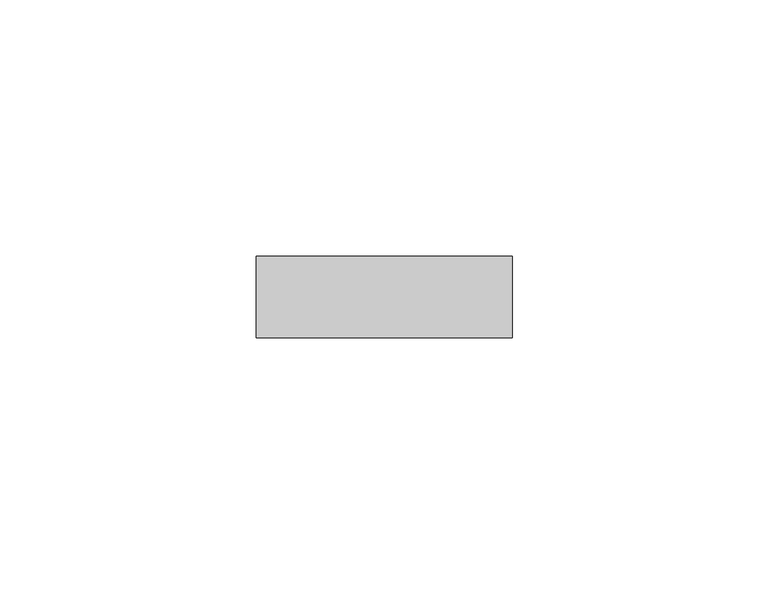
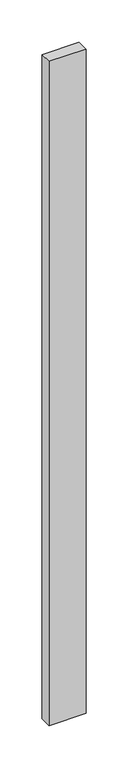
"""IFC4 building model written with IfcOpenShell, lengths in millimetres: proxy geometry."""

from ifc_helpers import new_model, si_unit, frame, origin, place, context, project, spatial, polyline, outline, extrude, source, transform, mapped, element, save


def generic_models_c1a66f58(model_context):
    return source(origin(), model_context, "Body", "SweptSolid", [
        extrude(outline(polyline([(55.5018515, -62.4360182), (5.5018515, -62.4360182), (5.5018515, -46.4360182), (55.5018515, -46.4360182), (55.5018515, -62.4360182)])), frame((0.0, 0.0, 1772.4900727), z_axis=(0.0, 0.0, 1.0), x_axis=(1.0, 0.0, 0.0)), (0.0, 0.0, 1.0), 955.0198545),
    ])


if __name__ == "__main__":
    model = new_model("IFC4")
    model_context = context("Model", 3, world=origin())
    ifc_project = project(units=[si_unit("LENGTHUNIT", "METRE", prefix="MILLI")], contexts=[model_context])
    site = spatial("IfcSite", under=ifc_project)
    building = spatial("IfcBuilding", under=site)
    placement = place(None, origin())
    generic_models_shape = generic_models_c1a66f58(model_context)
    element("IfcBuildingElementProxy", 1, Name="Generic Models", at=placement, inside=building, context=model_context, shape_type="MappedRepresentation", body=[
        mapped(generic_models_shape, transform((0.0, 0.0, 0.0), x_axis=(1.0, 0.0, 0.0), y_axis=(0.0, 1.0, 0.0), z_axis=(0.0, 0.0, 1.0))),
    ])
    save(model, "model.ifc")
